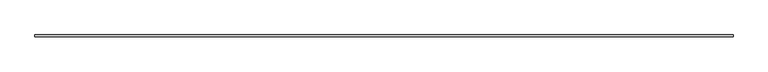
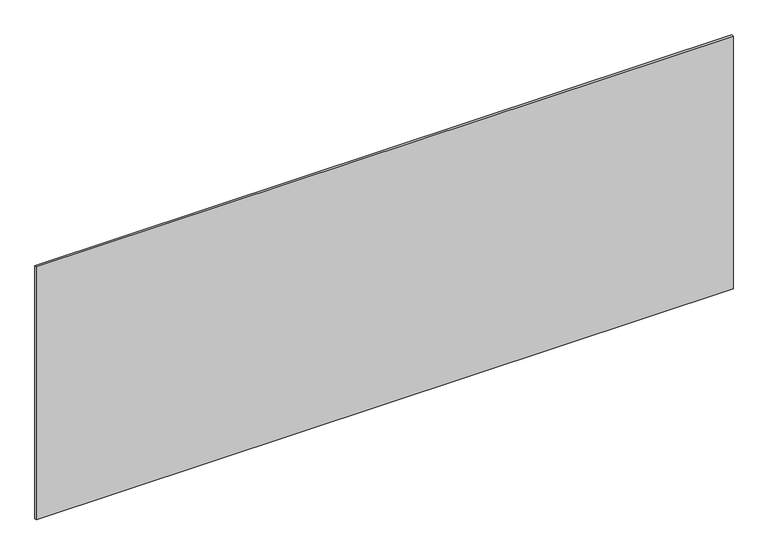
"""IFC4 building model written with IfcOpenShell, lengths in millimetres: plate geometry."""

from ifc_helpers import new_model, si_unit, origin, origin_with_axes, place, context, project, spatial, polyline, outline, extrude, source, transform, mapped, element, save


def plate_99387b9e(model_context):
    return source(origin(), model_context, "Body", "SweptSolid", [
        extrude(outline(polyline([(1697.5, -5.0), (-1697.5, -5.0), (-1697.5, 5.0), (1697.5, 5.0), (1697.5, -5.0)])), origin_with_axes(), (0.0, 0.0, 1.0), 1302.0081059),
    ])


if __name__ == "__main__":
    model = new_model("IFC4")
    model_context = context("Model", 3, world=origin())
    ifc_project = project(units=[si_unit("LENGTHUNIT", "METRE", prefix="MILLI")], contexts=[model_context])
    site = spatial("IfcSite", under=ifc_project)
    building = spatial("IfcBuilding", under=site)
    placement = place(None, origin())
    plate_shape = plate_99387b9e(model_context)
    element("IfcPlate", 1, at=placement, inside=building, context=model_context, shape_type="MappedRepresentation", body=[
        mapped(plate_shape, transform((0.0, 0.0, 0.0), x_axis=(1.0, 0.0, 0.0), y_axis=(0.0, 1.0, 0.0), z_axis=(0.0, 0.0, 1.0))),
    ])
    save(model, "model.ifc")
